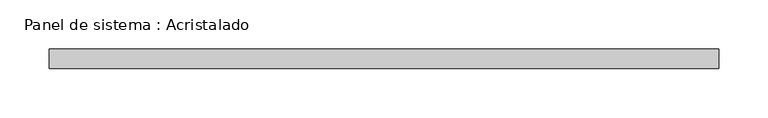
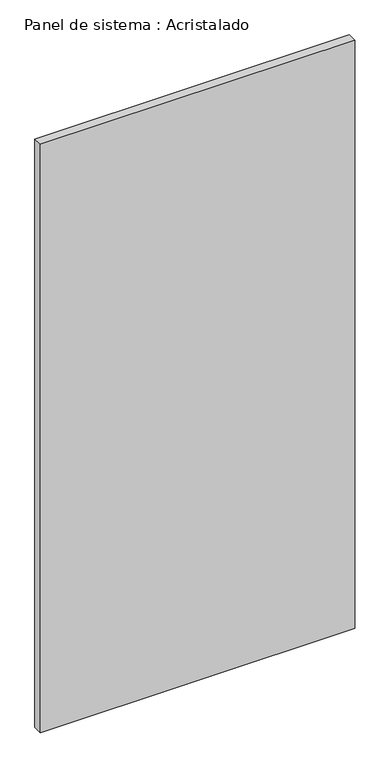
"""IFC4 building model written with IfcOpenShell, lengths in millimetres: plate geometry, Panel de sistema : Acristalado."""

from ifc_helpers import new_model, si_unit, origin, origin_with_axes, place, context, project, spatial, polyline, outline, extrude, source, transform, mapped, element, save


def panel_de_sistema_acristalado_413d668c(model_context):
    return source(origin(), model_context, "Body", "SweptSolid", [
        extrude(outline(polyline([(341.0, -10.0), (-341.0, -10.0), (-341.0, 10.0), (341.0, 10.0), (341.0, -10.0)])), origin_with_axes(), (0.0, 0.0, 1.0), 1350.0),
    ])


if __name__ == "__main__":
    model = new_model("IFC4")
    model_context = context("Model", 3, world=origin())
    ifc_project = project(units=[si_unit("LENGTHUNIT", "METRE", prefix="MILLI")], contexts=[model_context])
    site = spatial("IfcSite", under=ifc_project)
    building = spatial("IfcBuilding", under=site)
    placement = place(None, origin())
    panel_de_sistema_acristalado_shape = panel_de_sistema_acristalado_413d668c(model_context)
    element("IfcPlate", 1, ObjectType="Panel de sistema : Acristalado", at=placement, inside=building, context=model_context, shape_type="MappedRepresentation", body=[
        mapped(panel_de_sistema_acristalado_shape, transform((0.0, 0.0, 0.0), x_axis=(1.0, 0.0, 0.0), y_axis=(0.0, 1.0, 0.0), z_axis=(0.0, 0.0, 1.0))),
    ])
    save(model, "model.ifc")
